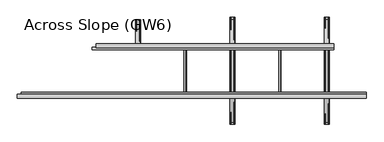
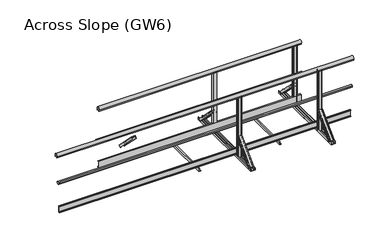
"""IFC4 building model written with IfcOpenShell, lengths in millimetres: proxy geometry, Across Slope (GW6)."""

from ifc_helpers import new_model, si_unit, point, frame, frame_2d, origin, origin_with_axes, place, context, project, spatial, polyline, circle_curve, trimmed, segment, composite_curve, outline, extrude, source, transform, mapped, element, save
from ifc_brep_helpers import plane_surface, extruded_surface, advanced_brep


def across_slope_gw6_c8b07d48(model_context):
    return source(origin(), model_context, "Body", "SolidModel", [
        extrude(outline(polyline([(34.5, 63.0), (9.5, 63.0), (9.5, 163.0), (34.5, 163.0), (34.5, 160.0), (12.5, 160.0), (12.5, 66.0), (34.5, 66.0), (34.5, 63.0)])), frame((978.6034865, 0.0, 0.0), z_axis=(1.0, 0.0, 0.0), x_axis=(0.0, 1.0, 0.0)), (0.0, 0.0, 1.0), 3119.1400263),
        extrude(outline(composite_curve([segment(trimmed(circle_curve(frame_2d((31.5, 1015.0)), 25.0), [point((10.5, 1001.43534))], [point((52.5, 1001.43534))], False, "CARTESIAN"), True, "CONTINUOUS"), segment(polyline([(52.5, 1001.43534), (52.5, 983.0), (51.5, 983.0), (51.5, 998.0), (11.5, 998.0), (11.5, 983.0), (10.5, 983.0), (10.5, 1001.43534)]), True, "CONTINUOUS")], self_intersect=False)), frame((980.0, 0.0, 0.0), z_axis=(1.0, 0.0, 0.0), x_axis=(0.0, 1.0, 0.0)), (0.0, 0.0, 1.0), 3119.1400263),
        extrude(outline(composite_curve([segment(polyline([(-21.8, 520.617273), (-17.8, 520.617273), (-17.8, 535.382727), (-21.8, 535.382727)]), True, "CONTINUOUS"), segment(trimmed(circle_curve(frame_2d((-3.212495, 528.0)), 20.0), [point((-21.8, 535.382727))], [point((12.5, 540.3740657))], False, "CARTESIAN"), True, "CONTINUOUS"), segment(polyline([(12.5, 540.3740657), (12.5, 515.6259343)]), True, "CONTINUOUS"), segment(trimmed(circle_curve(frame_2d((-3.212495, 528.0)), 20.0), [point((12.5, 515.6259343))], [point((-21.8, 520.617273))], False, "CARTESIAN"), True, "CONTINUOUS")], self_intersect=False)), frame((930.0, 0.0, 0.0), z_axis=(1.0, 0.0, 0.0), x_axis=(0.0, 1.0, 0.0)), (0.0, 0.0, 1.0), 3169.1400263),
        extrude(outline(polyline([(-634.5, 63.0), (-634.5, 66.0), (-612.5, 66.0), (-612.5, 160.0), (-634.5, 160.0), (-634.5, 163.0), (-609.5, 163.0), (-609.5, 63.0), (-634.5, 63.0)])), frame((0.0, 0.0, 0.0), z_axis=(1.0, 0.0, 0.0), x_axis=(0.0, 1.0, 0.0)), (0.0, 0.0, 1.0), 4489.1400263),
        extrude(outline(composite_curve([segment(trimmed(circle_curve(frame_2d((-596.787505, 528.0)), 20.0), [point((-578.2, 520.617273))], [point((-612.5, 515.6259343))], False, "CARTESIAN"), True, "CONTINUOUS"), segment(polyline([(-612.5, 515.6259343), (-612.5, 540.3740657)]), True, "CONTINUOUS"), segment(trimmed(circle_curve(frame_2d((-596.787505, 528.0)), 20.0), [point((-612.5, 540.3740657))], [point((-578.2, 535.382727))], False, "CARTESIAN"), True, "CONTINUOUS"), segment(polyline([(-578.2, 535.382727), (-582.2, 535.382727), (-582.2, 520.617273), (-578.2, 520.617273)]), True, "CONTINUOUS")], self_intersect=False)), frame((0.0, 0.0, 0.0), z_axis=(1.0, 0.0, 0.0), x_axis=(0.0, 1.0, 0.0)), (0.0, 0.0, 1.0), 4519.1400263),
        extrude(outline(composite_curve([segment(trimmed(circle_curve(frame_2d((-631.5, 1015.0)), 25.0), [point((-652.5, 1001.43534))], [point((-610.5, 1001.43534))], False, "CARTESIAN"), True, "CONTINUOUS"), segment(polyline([(-610.5, 1001.43534), (-610.5, 983.0), (-611.5, 983.0), (-611.5, 998.0), (-651.5, 998.0), (-651.5, 983.0), (-652.5, 983.0), (-652.5, 1001.43534)]), True, "CONTINUOUS")], self_intersect=False)), frame((-50.0, 0.0, 0.0), z_axis=(1.0, 0.0, 0.0), x_axis=(0.0, 1.0, 0.0)), (0.0, 0.0, 1.0), 4569.1400263),
        extrude(outline(polyline([(3e-07, 3405.3550197), (2.0000003, 3405.3550197), (2.0000003, 3377.3550197), (38.0000003, 3377.3550197), (38.0000003, 3395.3550197), (40.0000003, 3395.3550197), (40.0000003, 3375.3550197), (3e-07, 3375.3550197), (3e-07, 3405.3550197)])), frame((0.0, -650.0, 0.0), z_axis=(0.0, 1.0, 0.0), x_axis=(0.0, 0.0, 1.0)), (0.0, 0.0, 1.0), 700.0),
        extrude(outline(polyline([(3e-07, 2163.7850066), (2.0000003, 2163.7850066), (2.0000003, 2135.7850066), (38.0000003, 2135.7850066), (38.0000003, 2153.7850066), (40.0000003, 2153.7850066), (40.0000003, 2133.7850066), (3e-07, 2133.7850066), (3e-07, 2163.7850066)])), frame((0.0, -650.0, 0.0), z_axis=(0.0, 1.0, 0.0), x_axis=(0.0, 0.0, 1.0)), (0.0, 0.0, 1.0), 700.0),
        advanced_brep(
        [(2799.0700131, 368.6980515, 38.0), (2799.0700131, 342.888654, 12.1906025), (2796.0700131, 342.888654, 12.1906025), (2796.0700131, 366.5767312, 35.8786797), (2786.0700131, 366.5767312, 35.8786797), (2786.0700131, 364.8089642, 34.1109127), (2785.0700131, 364.8089642, 34.1109127), (2785.0700131, 366.5767312, 35.8786797), (2748.0700131, 366.5767312, 35.8786797), (2748.0700131, 364.8089642, 34.1109127), (2747.0700131, 364.8089642, 34.1109127), (2747.0700131, 366.5767312, 35.8786797), (2737.0700131, 366.5767312, 35.8786797), (2737.0700131, 342.888654, 12.1906025), (2734.0700131, 342.888654, 12.1906025), (2734.0700131, 368.6980515, 38.0), (2802.0700131, 50.5, 356.1980516), (2737.0700131, 50.5, 356.1980516), (2737.0700131, 24.6906025, 330.3886541), (2740.0700131, 24.6906025, 330.3886541), (2740.0700131, 48.3786797, 354.0767312), (2750.0700131, 48.3786797, 354.0767312), (2750.0700131, 46.6109127, 352.3089643), (2751.0700131, 46.6109127, 352.3089643), (2751.0700131, 48.3786797, 354.0767312), (2788.0700131, 48.3786797, 354.0767312), (2788.0700131, 46.6109127, 352.3089643), (2789.0700131, 46.6109127, 352.3089643), (2789.0700131, 48.3786797, 354.0767312), (2799.0700131, 48.3786797, 354.0767312), (2799.0700131, 24.6906025, 330.3886541), (2802.0700131, 24.6906025, 330.3886541)],
        [
            (0, 1),
            (1, 2, circle_curve(frame((2797.5700131, 342.888654, 12.1906025), z_axis=(0.0, 0.7071067811865506, -0.7071067811865446), x_axis=(0.0, 0.7071067811865446, 0.7071067811865506)), 1.5)),
            (2, 3),
            (3, 4),
            (4, 5),
            (5, 6, circle_curve(frame((2785.5700131, 364.8089642, 34.1109127), z_axis=(0.0, 0.7071067811865506, -0.7071067811865446), x_axis=(0.0, 0.7071067811865446, 0.7071067811865506)), 0.5)),
            (6, 7),
            (7, 8),
            (8, 9),
            (9, 10, circle_curve(frame((2747.5700131, 364.8089642, 34.1109127), z_axis=(0.0, 0.7071067811865506, -0.7071067811865446), x_axis=(0.0, 0.7071067811865446, 0.7071067811865506)), 0.5)),
            (10, 11),
            (11, 12),
            (12, 13),
            (13, 14, circle_curve(frame((2735.5700131, 342.888654, 12.1906025), z_axis=(0.0, 0.7071067811865506, -0.7071067811865446), x_axis=(0.0, 0.7071067811865446, 0.7071067811865506)), 1.5)),
            (14, 15),
            (15, 0),
            (16, 17),
            (17, 18),
            (18, 19, circle_curve(frame((2738.5700131, 24.6906025, 330.3886541), z_axis=(0.0, -0.7071067811865506, 0.7071067811865446), x_axis=(0.0, 0.7071067811865446, 0.7071067811865506)), 1.5)),
            (19, 20),
            (20, 21),
            (21, 22),
            (22, 23, circle_curve(frame((2750.5700131, 46.6109127, 352.3089643), z_axis=(0.0, -0.7071067811865506, 0.7071067811865446), x_axis=(0.0, 0.7071067811865446, 0.7071067811865506)), 0.5)),
            (23, 24),
            (24, 25),
            (25, 26),
            (26, 27, circle_curve(frame((2788.5700131, 46.6109127, 352.3089643), z_axis=(0.0, -0.7071067811865506, 0.7071067811865446), x_axis=(0.0, 0.7071067811865446, 0.7071067811865506)), 0.5)),
            (27, 28),
            (28, 29),
            (29, 30),
            (30, 31, circle_curve(frame((2800.5700131, 24.6906025, 330.3886541), z_axis=(0.0, -0.7071067811865506, 0.7071067811865446), x_axis=(0.0, 0.7071067811865446, 0.7071067811865506)), 1.5)),
            (31, 16),
            (31, 1),
            (0, 16),
            (30, 2),
            (29, 3),
            (28, 4),
            (27, 5),
            (26, 6),
            (25, 7),
            (24, 8),
            (23, 9),
            (22, 10),
            (21, 11),
            (20, 12),
            (19, 13),
            (18, 14),
            (17, 15),
        ],
        [
            plane_surface(frame((2766.5700131, 360.4779352, 29.7798837), z_axis=(0.0, 0.7071067811865502, -0.7071067811865449), x_axis=(0.0, -0.7071067811865449, -0.7071067811865502))),
            plane_surface(frame((2769.5700131, 42.2798837, 347.9779352), z_axis=(0.0, -0.7071067811865505, 0.7071067811865447), x_axis=(0.0, -0.7071067811865447, -0.7071067811865505))),
            plane_surface(frame((2802.0700131, 37.5953012, 343.2933528), z_axis=(0.9999777785184913, 0.004713940454838276, -0.004713940454838116), x_axis=(0.0, -0.7071067811865449, -0.7071067811865502))),
            extruded_surface(trimmed(circle_curve(frame((2800.5700131, 24.6906025, 330.3886541), z_axis=(0.0, 0.7071067811865506, -0.7071067811865446), x_axis=(0.0, 0.7071067811865446, 0.7071067811865506)), 1.5), [point((2802.0700131, 24.6906025, 330.3886541))], [point((2799.0700131, 24.6906025, 330.3886541))], True, "CARTESIAN"), (-3.0, 318.19805149999996, -318.1980516), 450.00999991159404),
            plane_surface(frame((2799.0700131, 36.5346411, 342.2326926), z_axis=(-0.9999777785184911, -0.004713940454837886, 0.00471394045483772), x_axis=(0.0, 0.7071067811865445, 0.7071067811865506))),
            plane_surface(frame((2794.0700131, 48.3786797, 354.0767312), z_axis=(0.0, -0.7071067811865455, -0.7071067811865496), x_axis=(-1.0, 0.0, 0.0))),
            plane_surface(frame((2789.0700131, 47.4947962, 353.1928478), z_axis=(0.9999777785184913, 0.004713940454838199, -0.0047139404548380325), x_axis=(0.0, -0.7071067811865445, -0.7071067811865507))),
            extruded_surface(trimmed(circle_curve(frame((2788.5700131, 46.6109127, 352.3089643), z_axis=(0.0, 0.7071067811865506, -0.7071067811865446), x_axis=(0.0, 0.7071067811865446, 0.7071067811865506)), 0.5), [point((2789.0700131, 46.6109127, 352.3089643))], [point((2788.0700131, 46.6109127, 352.3089643))], True, "CARTESIAN"), (-3.0, 318.1980515, -318.1980516), 450.0099999115941),
            plane_surface(frame((2788.0700131, 47.4947962, 353.1928478), z_axis=(-0.9999777785184912, -0.004713940454838169, 0.0047139404548381045), x_axis=(0.0, 0.7071067811865521, 0.707106781186543))),
            plane_surface(frame((2769.5700131, 48.3786797, 354.0767312), z_axis=(0.0, -0.7071067811865461, -0.7071067811865491), x_axis=(-1.0, 0.0, 0.0))),
            plane_surface(frame((2751.0700131, 47.4947962, 353.1928478), z_axis=(0.9999777785184911, 0.004713940454838164, -0.004713940454837987), x_axis=(0.0, -0.7071067811865436, -0.7071067811865515))),
            extruded_surface(trimmed(circle_curve(frame((2750.5700131, 46.6109127, 352.3089643), z_axis=(0.0, 0.7071067811865506, -0.7071067811865446), x_axis=(0.0, 0.7071067811865446, 0.7071067811865506)), 0.5), [point((2751.0700131, 46.6109127, 352.3089643))], [point((2750.0700131, 46.6109127, 352.3089643))], True, "CARTESIAN"), (-3.0, 318.1980515, -318.1980516), 450.0099999115941),
            plane_surface(frame((2750.0700131, 47.4947962, 353.1928478), z_axis=(-0.9999777785184913, -0.004713940454838203, 0.004713940454838003), x_axis=(0.0, 0.7071067811865419, 0.7071067811865532))),
            plane_surface(frame((2745.0700131, 48.3786797, 354.0767312), z_axis=(0.0, -0.7071067811865461, -0.7071067811865491), x_axis=(-1.0, 0.0, 0.0))),
            plane_surface(frame((2740.0700131, 36.5346411, 342.2326926), z_axis=(0.9999777785184911, 0.004713940454838192, -0.004713940454838038), x_axis=(0.0, -0.7071067811865454, -0.7071067811865497))),
            extruded_surface(trimmed(circle_curve(frame((2738.5700131, 24.6906025, 330.3886541), z_axis=(0.0, 0.7071067811865506, -0.7071067811865446), x_axis=(0.0, 0.7071067811865446, 0.7071067811865506)), 1.5), [point((2740.0700131, 24.6906025, 330.3886541))], [point((2737.0700131, 24.6906025, 330.3886541))], True, "CARTESIAN"), (-3.0, 318.19805149999996, -318.1980516), 450.00999991159404),
            plane_surface(frame((2737.0700131, 37.5953012, 343.2933528), z_axis=(-0.9999777785184911, -0.00471394045483825, 0.004713940454838091), x_axis=(0.0, 0.7071067811865449, 0.7071067811865501))),
            plane_surface(frame((2769.5700131, 50.5, 356.1980516), z_axis=(0.0, 0.7071067811865455, 0.7071067811865497), x_axis=(1.0, 0.0, 0.0))),
        ],
        [
            (0, [[1, 2, 3, 4, 5, 6, 7, 8, 9, 10, 11, 12, 13, 14, 15, 16]]),
            (1, [[17, 18, 19, 20, 21, 22, 23, 24, 25, 26, 27, 28, 29, 30, 31, 32]]),
            (2, [[-32, 33, -1, 34]]),
            (3, [[-31, 35, -2, -33]]),
            (4, [[-30, 36, -3, -35]]),
            (5, [[-29, 37, -4, -36]]),
            (6, [[-28, 38, -5, -37]]),
            (7, [[-27, 39, -6, -38]]),
            (8, [[-26, 40, -7, -39]]),
            (9, [[-25, 41, -8, -40]]),
            (10, [[-24, 42, -9, -41]]),
            (11, [[-23, 43, -10, -42]]),
            (12, [[-22, 44, -11, -43]]),
            (13, [[-21, 45, -12, -44]]),
            (14, [[-20, 46, -13, -45]]),
            (15, [[-19, 47, -14, -46]]),
            (16, [[-18, 48, -15, -47]]),
            (17, [[-17, -34, -16, -48]]),
        ],
    ),
        extrude(outline(composite_curve([segment(trimmed(circle_curve(frame_2d((2792.5700131, 45.5)), 5.0), [point((2792.5700131, 50.5))], [point((2797.5700131, 45.5))], False, "CARTESIAN"), True, "CONTINUOUS"), segment(polyline([(2797.5700131, 45.5), (2797.5700131, 17.5)]), True, "CONTINUOUS"), segment(trimmed(circle_curve(frame_2d((2792.5700131, 17.5)), 5.0), [point((2797.5700131, 17.5))], [point((2792.5700131, 12.5))], False, "CARTESIAN"), True, "CONTINUOUS"), segment(polyline([(2792.5700131, 12.5), (2746.5700131, 12.5)]), True, "CONTINUOUS"), segment(trimmed(circle_curve(frame_2d((2746.5700131, 17.5)), 5.0), [point((2746.5700131, 12.5))], [point((2741.5700131, 17.5))], False, "CARTESIAN"), True, "CONTINUOUS"), segment(polyline([(2741.5700131, 17.5), (2741.5700131, 45.5)]), True, "CONTINUOUS"), segment(trimmed(circle_curve(frame_2d((2746.5700131, 45.5)), 5.0), [point((2741.5700131, 45.5))], [point((2746.5700131, 50.5))], False, "CARTESIAN"), True, "CONTINUOUS"), segment(polyline([(2746.5700131, 50.5), (2792.5700131, 50.5)]), True, "CONTINUOUS")], self_intersect=False)), origin_with_axes(), (0.0, 0.0, 1.0), 998.0),
        extrude(outline(composite_curve([segment(trimmed(circle_curve(frame_2d((2792.5700131, -617.5)), 5.0), [point((2792.5700131, -612.5))], [point((2797.5700131, -617.5))], False, "CARTESIAN"), True, "CONTINUOUS"), segment(polyline([(2797.5700131, -617.5), (2797.5700131, -645.5)]), True, "CONTINUOUS"), segment(trimmed(circle_curve(frame_2d((2792.5700131, -645.5)), 5.0), [point((2797.5700131, -645.5))], [point((2792.5700131, -650.5))], False, "CARTESIAN"), True, "CONTINUOUS"), segment(polyline([(2792.5700131, -650.5), (2746.5700131, -650.5)]), True, "CONTINUOUS"), segment(trimmed(circle_curve(frame_2d((2746.5700131, -645.5)), 5.0), [point((2746.5700131, -650.5))], [point((2741.5700131, -645.5))], False, "CARTESIAN"), True, "CONTINUOUS"), segment(polyline([(2741.5700131, -645.5), (2741.5700131, -617.5)]), True, "CONTINUOUS"), segment(trimmed(circle_curve(frame_2d((2746.5700131, -617.5)), 5.0), [point((2741.5700131, -617.5))], [point((2746.5700131, -612.5))], False, "CARTESIAN"), True, "CONTINUOUS"), segment(polyline([(2746.5700131, -612.5), (2792.5700131, -612.5)]), True, "CONTINUOUS")], self_intersect=False)), origin_with_axes(), (0.0, 0.0, 1.0), 998.0),
        advanced_brep(
        [(2734.0700131, -968.7087394, 38.0), (2734.0700131, -942.8993419, 12.1906025), (2737.0700131, -942.8993419, 12.1906025), (2737.0700131, -966.5874191, 35.8786797), (2747.0700131, -966.5874191, 35.8786797), (2747.0700131, -964.8196521, 34.1109127), (2748.0700131, -964.8196521, 34.1109127), (2748.0700131, -966.5874191, 35.8786797), (2785.0700131, -966.5874191, 35.8786797), (2785.0700131, -964.8196521, 34.1109127), (2786.0700131, -964.8196521, 34.1109127), (2786.0700131, -966.5874191, 35.8786797), (2796.0700131, -966.5874191, 35.8786797), (2796.0700131, -942.8993419, 12.1906025), (2799.0700131, -942.8993419, 12.1906025), (2799.0700131, -968.7087394, 38.0), (2737.0700131, -650.5106879, 356.1980516), (2802.0700131, -650.5106879, 356.1980516), (2802.0700131, -624.7012904, 330.3886541), (2799.0700131, -624.7012904, 330.3886541), (2799.0700131, -648.3893676, 354.0767312), (2789.0700131, -648.3893676, 354.0767312), (2789.0700131, -646.6216006, 352.3089643), (2788.0700131, -646.6216006, 352.3089643), (2788.0700131, -648.3893676, 354.0767312), (2751.0700131, -648.3893676, 354.0767312), (2751.0700131, -646.6216006, 352.3089643), (2750.0700131, -646.6216006, 352.3089643), (2750.0700131, -648.3893676, 354.0767312), (2740.0700131, -648.3893676, 354.0767312), (2740.0700131, -624.7012904, 330.3886541), (2737.0700131, -624.7012904, 330.3886541)],
        [
            (0, 1),
            (1, 2, circle_curve(frame((2735.5700131, -942.8993419, 12.1906025), z_axis=(0.0, -0.7071067811865432, -0.7071067811865519), x_axis=(0.0, 0.7071067811865519, -0.7071067811865432)), 1.5)),
            (2, 3),
            (3, 4),
            (4, 5),
            (5, 6, circle_curve(frame((2747.5700131, -964.8196521, 34.1109127), z_axis=(0.0, -0.7071067811865432, -0.7071067811865519), x_axis=(0.0, 0.7071067811865519, -0.7071067811865432)), 0.5)),
            (6, 7),
            (7, 8),
            (8, 9),
            (9, 10, circle_curve(frame((2785.5700131, -964.8196521, 34.1109127), z_axis=(0.0, -0.7071067811865432, -0.7071067811865519), x_axis=(0.0, 0.7071067811865519, -0.7071067811865432)), 0.5)),
            (10, 11),
            (11, 12),
            (12, 13),
            (13, 14, circle_curve(frame((2797.5700131, -942.8993419, 12.1906025), z_axis=(0.0, -0.7071067811865432, -0.7071067811865519), x_axis=(0.0, 0.7071067811865519, -0.7071067811865432)), 1.5)),
            (14, 15),
            (15, 0),
            (16, 17),
            (17, 18),
            (18, 19, circle_curve(frame((2800.5700131, -624.7012904, 330.3886541), z_axis=(0.0, 0.7071067811865432, 0.7071067811865519), x_axis=(0.0, 0.7071067811865519, -0.7071067811865432)), 1.5)),
            (19, 20),
            (20, 21),
            (21, 22),
            (22, 23, circle_curve(frame((2788.5700131, -646.6216006, 352.3089643), z_axis=(0.0, 0.7071067811865432, 0.7071067811865519), x_axis=(0.0, 0.7071067811865519, -0.7071067811865432)), 0.5)),
            (23, 24),
            (24, 25),
            (25, 26),
            (26, 27, circle_curve(frame((2750.5700131, -646.6216006, 352.3089643), z_axis=(0.0, 0.7071067811865432, 0.7071067811865519), x_axis=(0.0, 0.7071067811865519, -0.7071067811865432)), 0.5)),
            (27, 28),
            (28, 29),
            (29, 30),
            (30, 31, circle_curve(frame((2738.5700131, -624.7012904, 330.3886541), z_axis=(0.0, 0.7071067811865432, 0.7071067811865519), x_axis=(0.0, 0.7071067811865519, -0.7071067811865432)), 1.5)),
            (31, 16),
            (31, 1),
            (0, 16),
            (30, 2),
            (29, 3),
            (28, 4),
            (27, 5),
            (26, 6),
            (25, 7),
            (24, 8),
            (23, 9),
            (22, 10),
            (21, 11),
            (20, 12),
            (19, 13),
            (18, 14),
            (17, 15),
        ],
        [
            plane_surface(frame((2766.5700131, -960.4886231, 29.7798837), z_axis=(0.0, -0.707106781186543, -0.7071067811865521), x_axis=(0.0, 0.7071067811865521, -0.707106781186543))),
            plane_surface(frame((2769.5700131, -642.2905716, 347.9779352), z_axis=(0.0, 0.7071067811865432, 0.7071067811865519), x_axis=(0.0, 0.7071067811865519, -0.7071067811865432))),
            plane_surface(frame((2737.0700131, -637.6059891, 343.2933528), z_axis=(-0.9999777785184912, 0.004713940454842057, 0.004713940454841993), x_axis=(0.0, 0.7071067811865521, -0.707106781186543))),
            extruded_surface(trimmed(circle_curve(frame((2738.5700131, -624.7012904, 330.3886541), z_axis=(0.0, -0.7071067811865432, -0.7071067811865519), x_axis=(0.0, 0.7071067811865519, -0.7071067811865432)), 1.5), [point((2737.0700131, -624.7012904, 330.3886541))], [point((2740.0700131, -624.7012904, 330.3886541))], True, "CARTESIAN"), (-3.0, -318.1980515, -318.1980516), 450.0099999115941),
            plane_surface(frame((2740.0700131, -636.545329, 342.2326926), z_axis=(0.9999777785184912, -0.004713940454842057, -0.004713940454841993), x_axis=(0.0, -0.7071067811865521, 0.707106781186543))),
            plane_surface(frame((2745.0700131, -648.3893676, 354.0767312), z_axis=(0.0, 0.7071067811865525, -0.7071067811865427), x_axis=(1.0, 0.0, 0.0))),
            plane_surface(frame((2750.0700131, -647.5054841, 353.1928478), z_axis=(-0.9999777785184911, 0.004713940454842033, 0.004713940454842016), x_axis=(0.0, 0.7071067811865557, -0.7071067811865394))),
            extruded_surface(trimmed(circle_curve(frame((2750.5700131, -646.6216006, 352.3089643), z_axis=(0.0, -0.7071067811865432, -0.7071067811865519), x_axis=(0.0, 0.7071067811865519, -0.7071067811865432)), 0.5), [point((2750.0700131, -646.6216006, 352.3089643))], [point((2751.0700131, -646.6216006, 352.3089643))], True, "CARTESIAN"), (-3.0, -318.1980515, -318.1980516), 450.0099999115941),
            plane_surface(frame((2751.0700131, -647.5054841, 353.1928478), z_axis=(0.9999777785184911, -0.004713940454842045, -0.004713940454842029), x_axis=(0.0, -0.7071067811865557, 0.7071067811865394))),
            plane_surface(frame((2769.5700131, -648.3893676, 354.0767312), z_axis=(0.0, 0.7071067811865525, -0.7071067811865427), x_axis=(1.0, 0.0, 0.0))),
            plane_surface(frame((2788.0700131, -647.5054841, 353.1928478), z_axis=(-0.9999777785184911, 0.004713940454842039, 0.004713940454842022), x_axis=(0.0, 0.7071067811865557, -0.7071067811865394))),
            extruded_surface(trimmed(circle_curve(frame((2788.5700131, -646.6216006, 352.3089643), z_axis=(0.0, -0.7071067811865432, -0.7071067811865519), x_axis=(0.0, 0.7071067811865519, -0.7071067811865432)), 0.5), [point((2788.0700131, -646.6216006, 352.3089643))], [point((2789.0700131, -646.6216006, 352.3089643))], True, "CARTESIAN"), (-3.0, -318.1980515, -318.1980516), 450.0099999115941),
            plane_surface(frame((2789.0700131, -647.5054841, 353.1928478), z_axis=(0.9999777785184911, -0.004713940454842066, -0.004713940454841994), x_axis=(0.0, -0.7071067811865515, 0.7071067811865436))),
            plane_surface(frame((2794.0700131, -648.3893676, 354.0767312), z_axis=(0.0, 0.7071067811865522, -0.707106781186543), x_axis=(1.0, 0.0, 0.0))),
            plane_surface(frame((2799.0700131, -636.545329, 342.2326926), z_axis=(-0.9999777785184911, 0.004713940454842064, 0.004713940454841998), x_axis=(0.0, 0.707106781186552, -0.7071067811865431))),
            extruded_surface(trimmed(circle_curve(frame((2800.5700131, -624.7012904, 330.3886541), z_axis=(0.0, -0.7071067811865432, -0.7071067811865519), x_axis=(0.0, 0.7071067811865519, -0.7071067811865432)), 1.5), [point((2799.0700131, -624.7012904, 330.3886541))], [point((2802.0700131, -624.7012904, 330.3886541))], True, "CARTESIAN"), (-3.0, -318.1980515, -318.1980516), 450.0099999115941),
            plane_surface(frame((2802.0700131, -637.6059891, 343.2933528), z_axis=(0.9999777785184913, -0.004713940454842066, -0.004713940454841998), x_axis=(0.0, -0.7071067811865519, 0.7071067811865432))),
            plane_surface(frame((2769.5700131, -650.5106879, 356.1980516), z_axis=(0.0, -0.7071067811865526, 0.7071067811865427), x_axis=(-1.0, 0.0, 0.0))),
        ],
        [
            (0, [[1, 2, 3, 4, 5, 6, 7, 8, 9, 10, 11, 12, 13, 14, 15, 16]]),
            (1, [[17, 18, 19, 20, 21, 22, 23, 24, 25, 26, 27, 28, 29, 30, 31, 32]]),
            (2, [[-32, 33, -1, 34]]),
            (3, [[-31, 35, -2, -33]]),
            (4, [[-30, 36, -3, -35]]),
            (5, [[-29, 37, -4, -36]]),
            (6, [[-28, 38, -5, -37]]),
            (7, [[-27, 39, -6, -38]]),
            (8, [[-26, 40, -7, -39]]),
            (9, [[-25, 41, -8, -40]]),
            (10, [[-24, 42, -9, -41]]),
            (11, [[-23, 43, -10, -42]]),
            (12, [[-22, 44, -11, -43]]),
            (13, [[-21, 45, -12, -44]]),
            (14, [[-20, 46, -13, -45]]),
            (15, [[-19, 47, -14, -46]]),
            (16, [[-18, 48, -15, -47]]),
            (17, [[-17, -34, -16, -48]]),
        ],
    ),
        extrude(outline(composite_curve([segment(polyline([(0.0, 2737.0700131), (0.0, 2802.0700131), (36.5, 2802.0700131)]), True, "CONTINUOUS"), segment(trimmed(circle_curve(frame_2d((36.5, 2800.5700131)), 1.5), [point((36.5, 2802.0700131))], [point((36.5, 2799.0700131))], False, "CARTESIAN"), True, "CONTINUOUS"), segment(polyline([(36.5, 2799.0700131), (3.0, 2799.0700131), (3.0, 2789.0700131), (5.5, 2789.0700131)]), True, "CONTINUOUS"), segment(trimmed(circle_curve(frame_2d((5.5, 2788.5700131)), 0.5), [point((5.5, 2789.0700131))], [point((5.5, 2788.0700131))], False, "CARTESIAN"), True, "CONTINUOUS"), segment(polyline([(5.5, 2788.0700131), (3.0, 2788.0700131), (3.0, 2751.0700131), (5.5, 2751.0700131)]), True, "CONTINUOUS"), segment(trimmed(circle_curve(frame_2d((5.5, 2750.5700131)), 0.5), [point((5.5, 2751.0700131))], [point((5.5, 2750.0700131))], False, "CARTESIAN"), True, "CONTINUOUS"), segment(polyline([(5.5, 2750.0700131), (3.0, 2750.0700131), (3.0, 2740.0700131), (36.5, 2740.0700131)]), True, "CONTINUOUS"), segment(trimmed(circle_curve(frame_2d((36.5, 2738.5700131)), 1.5), [point((36.5, 2740.0700131))], [point((36.5, 2737.0700131))], False, "CARTESIAN"), True, "CONTINUOUS"), segment(polyline([(36.5, 2737.0700131), (0.0, 2737.0700131)]), True, "CONTINUOUS")], self_intersect=False)), frame((0.0, -1000.0, 0.0), z_axis=(0.0, 1.0, 0.0), x_axis=(0.0, 0.0, 1.0)), (0.0, 0.0, 1.0), 1400.0),
        advanced_brep(
        [(4036.1400263, 368.6980515, 38.0), (4036.1400263, 342.888654, 12.1906025), (4033.1400263, 342.888654, 12.1906025), (4033.1400263, 366.5767312, 35.8786797), (4023.1400263, 366.5767312, 35.8786797), (4023.1400263, 364.8089642, 34.1109127), (4022.1400263, 364.8089642, 34.1109127), (4022.1400263, 366.5767312, 35.8786797), (3985.1400263, 366.5767312, 35.8786797), (3985.1400263, 364.8089642, 34.1109127), (3984.1400263, 364.8089642, 34.1109127), (3984.1400263, 366.5767312, 35.8786797), (3974.1400263, 366.5767312, 35.8786797), (3974.1400263, 342.888654, 12.1906025), (3971.1400263, 342.888654, 12.1906025), (3971.1400263, 368.6980515, 38.0), (4039.1400263, 50.5, 356.1980516), (3974.1400263, 50.5, 356.1980516), (3974.1400263, 24.6906025, 330.3886541), (3977.1400263, 24.6906025, 330.3886541), (3977.1400263, 48.3786797, 354.0767312), (3987.1400263, 48.3786797, 354.0767312), (3987.1400263, 46.6109127, 352.3089643), (3988.1400263, 46.6109127, 352.3089643), (3988.1400263, 48.3786797, 354.0767312), (4025.1400263, 48.3786797, 354.0767312), (4025.1400263, 46.6109127, 352.3089643), (4026.1400263, 46.6109127, 352.3089643), (4026.1400263, 48.3786797, 354.0767312), (4036.1400263, 48.3786797, 354.0767312), (4036.1400263, 24.6906025, 330.3886541), (4039.1400263, 24.6906025, 330.3886541)],
        [
            (0, 1),
            (1, 2, circle_curve(frame((4034.6400263, 342.888654, 12.1906025), z_axis=(0.0, 0.7071067811865506, -0.7071067811865446), x_axis=(0.0, 0.7071067811865446, 0.7071067811865506)), 1.5)),
            (2, 3),
            (3, 4),
            (4, 5),
            (5, 6, circle_curve(frame((4022.6400263, 364.8089642, 34.1109127), z_axis=(0.0, 0.7071067811865506, -0.7071067811865446), x_axis=(0.0, 0.7071067811865446, 0.7071067811865506)), 0.5)),
            (6, 7),
            (7, 8),
            (8, 9),
            (9, 10, circle_curve(frame((3984.6400263, 364.8089642, 34.1109127), z_axis=(0.0, 0.7071067811865506, -0.7071067811865446), x_axis=(0.0, 0.7071067811865446, 0.7071067811865506)), 0.5)),
            (10, 11),
            (11, 12),
            (12, 13),
            (13, 14, circle_curve(frame((3972.6400263, 342.888654, 12.1906025), z_axis=(0.0, 0.7071067811865506, -0.7071067811865446), x_axis=(0.0, 0.7071067811865446, 0.7071067811865506)), 1.5)),
            (14, 15),
            (15, 0),
            (16, 17),
            (17, 18),
            (18, 19, circle_curve(frame((3975.6400263, 24.6906025, 330.3886541), z_axis=(0.0, -0.7071067811865506, 0.7071067811865446), x_axis=(0.0, 0.7071067811865446, 0.7071067811865506)), 1.5)),
            (19, 20),
            (20, 21),
            (21, 22),
            (22, 23, circle_curve(frame((3987.6400263, 46.6109127, 352.3089643), z_axis=(0.0, -0.7071067811865506, 0.7071067811865446), x_axis=(0.0, 0.7071067811865446, 0.7071067811865506)), 0.5)),
            (23, 24),
            (24, 25),
            (25, 26),
            (26, 27, circle_curve(frame((4025.6400263, 46.6109127, 352.3089643), z_axis=(0.0, -0.7071067811865506, 0.7071067811865446), x_axis=(0.0, 0.7071067811865446, 0.7071067811865506)), 0.5)),
            (27, 28),
            (28, 29),
            (29, 30),
            (30, 31, circle_curve(frame((4037.6400263, 24.6906025, 330.3886541), z_axis=(0.0, -0.7071067811865506, 0.7071067811865446), x_axis=(0.0, 0.7071067811865446, 0.7071067811865506)), 1.5)),
            (31, 16),
            (31, 1),
            (0, 16),
            (30, 2),
            (29, 3),
            (28, 4),
            (27, 5),
            (26, 6),
            (25, 7),
            (24, 8),
            (23, 9),
            (22, 10),
            (21, 11),
            (20, 12),
            (19, 13),
            (18, 14),
            (17, 15),
        ],
        [
            plane_surface(frame((4003.6400263, 360.4779352, 29.7798837), z_axis=(0.0, 0.7071067811865502, -0.7071067811865449), x_axis=(0.0, -0.7071067811865449, -0.7071067811865502))),
            plane_surface(frame((4006.6400263, 42.2798837, 347.9779352), z_axis=(0.0, -0.7071067811865505, 0.7071067811865447), x_axis=(0.0, -0.7071067811865447, -0.7071067811865505))),
            plane_surface(frame((4039.1400263, 37.5953012, 343.2933528), z_axis=(0.9999777785184913, 0.004713940454838276, -0.004713940454838116), x_axis=(0.0, -0.7071067811865449, -0.7071067811865502))),
            extruded_surface(trimmed(circle_curve(frame((4037.6400263, 24.6906025, 330.3886541), z_axis=(0.0, 0.7071067811865506, -0.7071067811865446), x_axis=(0.0, 0.7071067811865446, 0.7071067811865506)), 1.5), [point((4039.1400263, 24.6906025, 330.3886541))], [point((4036.1400263, 24.6906025, 330.3886541))], True, "CARTESIAN"), (-3.0, 318.19805149999996, -318.1980516), 450.00999991159404),
            plane_surface(frame((4036.1400263, 36.5346411, 342.2326926), z_axis=(-0.9999777785184911, -0.004713940454837886, 0.00471394045483772), x_axis=(0.0, 0.7071067811865445, 0.7071067811865506))),
            plane_surface(frame((4031.1400263, 48.3786797, 354.0767312), z_axis=(0.0, -0.7071067811865455, -0.7071067811865496), x_axis=(-1.0, 0.0, 0.0))),
            plane_surface(frame((4026.1400263, 47.4947962, 353.1928478), z_axis=(0.9999777785184913, 0.004713940454838199, -0.0047139404548380325), x_axis=(0.0, -0.7071067811865445, -0.7071067811865507))),
            extruded_surface(trimmed(circle_curve(frame((4025.6400263, 46.6109127, 352.3089643), z_axis=(0.0, 0.7071067811865506, -0.7071067811865446), x_axis=(0.0, 0.7071067811865446, 0.7071067811865506)), 0.5), [point((4026.1400263, 46.6109127, 352.3089643))], [point((4025.1400263, 46.6109127, 352.3089643))], True, "CARTESIAN"), (-3.0, 318.1980515, -318.1980516), 450.0099999115941),
            plane_surface(frame((4025.1400263, 47.4947962, 353.1928478), z_axis=(-0.9999777785184912, -0.004713940454838169, 0.0047139404548381045), x_axis=(0.0, 0.7071067811865521, 0.707106781186543))),
            plane_surface(frame((4006.6400263, 48.3786797, 354.0767312), z_axis=(0.0, -0.7071067811865461, -0.7071067811865491), x_axis=(-1.0, 0.0, 0.0))),
            plane_surface(frame((3988.1400263, 47.4947962, 353.1928478), z_axis=(0.9999777785184911, 0.004713940454838164, -0.004713940454837987), x_axis=(0.0, -0.7071067811865436, -0.7071067811865515))),
            extruded_surface(trimmed(circle_curve(frame((3987.6400263, 46.6109127, 352.3089643), z_axis=(0.0, 0.7071067811865506, -0.7071067811865446), x_axis=(0.0, 0.7071067811865446, 0.7071067811865506)), 0.5), [point((3988.1400263, 46.6109127, 352.3089643))], [point((3987.1400263, 46.6109127, 352.3089643))], True, "CARTESIAN"), (-3.0, 318.1980515, -318.1980516), 450.0099999115941),
            plane_surface(frame((3987.1400263, 47.4947962, 353.1928478), z_axis=(-0.9999777785184913, -0.004713940454838203, 0.004713940454838003), x_axis=(0.0, 0.7071067811865419, 0.7071067811865532))),
            plane_surface(frame((3982.1400263, 48.3786797, 354.0767312), z_axis=(0.0, -0.7071067811865461, -0.7071067811865491), x_axis=(-1.0, 0.0, 0.0))),
            plane_surface(frame((3977.1400263, 36.5346411, 342.2326926), z_axis=(0.9999777785184911, 0.004713940454838192, -0.004713940454838038), x_axis=(0.0, -0.7071067811865454, -0.7071067811865497))),
            extruded_surface(trimmed(circle_curve(frame((3975.6400263, 24.6906025, 330.3886541), z_axis=(0.0, 0.7071067811865506, -0.7071067811865446), x_axis=(0.0, 0.7071067811865446, 0.7071067811865506)), 1.5), [point((3977.1400263, 24.6906025, 330.3886541))], [point((3974.1400263, 24.6906025, 330.3886541))], True, "CARTESIAN"), (-3.0, 318.19805149999996, -318.1980516), 450.00999991159404),
            plane_surface(frame((3974.1400263, 37.5953012, 343.2933528), z_axis=(-0.9999777785184911, -0.00471394045483825, 0.004713940454838091), x_axis=(0.0, 0.7071067811865449, 0.7071067811865501))),
            plane_surface(frame((4006.6400263, 50.5, 356.1980516), z_axis=(0.0, 0.7071067811865455, 0.7071067811865497), x_axis=(1.0, 0.0, 0.0))),
        ],
        [
            (0, [[1, 2, 3, 4, 5, 6, 7, 8, 9, 10, 11, 12, 13, 14, 15, 16]]),
            (1, [[17, 18, 19, 20, 21, 22, 23, 24, 25, 26, 27, 28, 29, 30, 31, 32]]),
            (2, [[-32, 33, -1, 34]]),
            (3, [[-31, 35, -2, -33]]),
            (4, [[-30, 36, -3, -35]]),
            (5, [[-29, 37, -4, -36]]),
            (6, [[-28, 38, -5, -37]]),
            (7, [[-27, 39, -6, -38]]),
            (8, [[-26, 40, -7, -39]]),
            (9, [[-25, 41, -8, -40]]),
            (10, [[-24, 42, -9, -41]]),
            (11, [[-23, 43, -10, -42]]),
            (12, [[-22, 44, -11, -43]]),
            (13, [[-21, 45, -12, -44]]),
            (14, [[-20, 46, -13, -45]]),
            (15, [[-19, 47, -14, -46]]),
            (16, [[-18, 48, -15, -47]]),
            (17, [[-17, -34, -16, -48]]),
        ],
    ),
        extrude(outline(composite_curve([segment(trimmed(circle_curve(frame_2d((4029.6400263, 45.5)), 5.0), [point((4029.6400263, 50.5))], [point((4034.6400263, 45.5))], False, "CARTESIAN"), True, "CONTINUOUS"), segment(polyline([(4034.6400263, 45.5), (4034.6400263, 17.5)]), True, "CONTINUOUS"), segment(trimmed(circle_curve(frame_2d((4029.6400263, 17.5)), 5.0), [point((4034.6400263, 17.5))], [point((4029.6400263, 12.5))], False, "CARTESIAN"), True, "CONTINUOUS"), segment(polyline([(4029.6400263, 12.5), (3983.6400263, 12.5)]), True, "CONTINUOUS"), segment(trimmed(circle_curve(frame_2d((3983.6400263, 17.5)), 5.0), [point((3983.6400263, 12.5))], [point((3978.6400263, 17.5))], False, "CARTESIAN"), True, "CONTINUOUS"), segment(polyline([(3978.6400263, 17.5), (3978.6400263, 45.5)]), True, "CONTINUOUS"), segment(trimmed(circle_curve(frame_2d((3983.6400263, 45.5)), 5.0), [point((3978.6400263, 45.5))], [point((3983.6400263, 50.5))], False, "CARTESIAN"), True, "CONTINUOUS"), segment(polyline([(3983.6400263, 50.5), (4029.6400263, 50.5)]), True, "CONTINUOUS")], self_intersect=False)), origin_with_axes(), (0.0, 0.0, 1.0), 998.0),
        extrude(outline(composite_curve([segment(trimmed(circle_curve(frame_2d((4029.6400263, -617.5)), 5.0), [point((4029.6400263, -612.5))], [point((4034.6400263, -617.5))], False, "CARTESIAN"), True, "CONTINUOUS"), segment(polyline([(4034.6400263, -617.5), (4034.6400263, -645.5)]), True, "CONTINUOUS"), segment(trimmed(circle_curve(frame_2d((4029.6400263, -645.5)), 5.0), [point((4034.6400263, -645.5))], [point((4029.6400263, -650.5))], False, "CARTESIAN"), True, "CONTINUOUS"), segment(polyline([(4029.6400263, -650.5), (3983.6400263, -650.5)]), True, "CONTINUOUS"), segment(trimmed(circle_curve(frame_2d((3983.6400263, -645.5)), 5.0), [point((3983.6400263, -650.5))], [point((3978.6400263, -645.5))], False, "CARTESIAN"), True, "CONTINUOUS"), segment(polyline([(3978.6400263, -645.5), (3978.6400263, -617.5)]), True, "CONTINUOUS"), segment(trimmed(circle_curve(frame_2d((3983.6400263, -617.5)), 5.0), [point((3978.6400263, -617.5))], [point((3983.6400263, -612.5))], False, "CARTESIAN"), True, "CONTINUOUS"), segment(polyline([(3983.6400263, -612.5), (4029.6400263, -612.5)]), True, "CONTINUOUS")], self_intersect=False)), origin_with_axes(), (0.0, 0.0, 1.0), 998.0),
        advanced_brep(
        [(3971.1400263, -968.7087394, 38.0), (3971.1400263, -942.8993419, 12.1906025), (3974.1400263, -942.8993419, 12.1906025), (3974.1400263, -966.5874191, 35.8786797), (3984.1400263, -966.5874191, 35.8786797), (3984.1400263, -964.8196521, 34.1109127), (3985.1400263, -964.8196521, 34.1109127), (3985.1400263, -966.5874191, 35.8786797), (4022.1400263, -966.5874191, 35.8786797), (4022.1400263, -964.8196521, 34.1109127), (4023.1400263, -964.8196521, 34.1109127), (4023.1400263, -966.5874191, 35.8786797), (4033.1400263, -966.5874191, 35.8786797), (4033.1400263, -942.8993419, 12.1906025), (4036.1400263, -942.8993419, 12.1906025), (4036.1400263, -968.7087394, 38.0), (3974.1400263, -650.5106879, 356.1980516), (4039.1400263, -650.5106879, 356.1980516), (4039.1400263, -624.7012904, 330.3886541), (4036.1400263, -624.7012904, 330.3886541), (4036.1400263, -648.3893676, 354.0767312), (4026.1400263, -648.3893676, 354.0767312), (4026.1400263, -646.6216006, 352.3089643), (4025.1400263, -646.6216006, 352.3089643), (4025.1400263, -648.3893676, 354.0767312), (3988.1400263, -648.3893676, 354.0767312), (3988.1400263, -646.6216006, 352.3089643), (3987.1400263, -646.6216006, 352.3089643), (3987.1400263, -648.3893676, 354.0767312), (3977.1400263, -648.3893676, 354.0767312), (3977.1400263, -624.7012904, 330.3886541), (3974.1400263, -624.7012904, 330.3886541)],
        [
            (0, 1),
            (1, 2, circle_curve(frame((3972.6400263, -942.8993419, 12.1906025), z_axis=(0.0, -0.7071067811865432, -0.7071067811865519), x_axis=(0.0, 0.7071067811865519, -0.7071067811865432)), 1.5)),
            (2, 3),
            (3, 4),
            (4, 5),
            (5, 6, circle_curve(frame((3984.6400263, -964.8196521, 34.1109127), z_axis=(0.0, -0.7071067811865432, -0.7071067811865519), x_axis=(0.0, 0.7071067811865519, -0.7071067811865432)), 0.5)),
            (6, 7),
            (7, 8),
            (8, 9),
            (9, 10, circle_curve(frame((4022.6400263, -964.8196521, 34.1109127), z_axis=(0.0, -0.7071067811865432, -0.7071067811865519), x_axis=(0.0, 0.7071067811865519, -0.7071067811865432)), 0.5)),
            (10, 11),
            (11, 12),
            (12, 13),
            (13, 14, circle_curve(frame((4034.6400263, -942.8993419, 12.1906025), z_axis=(0.0, -0.7071067811865432, -0.7071067811865519), x_axis=(0.0, 0.7071067811865519, -0.7071067811865432)), 1.5)),
            (14, 15),
            (15, 0),
            (16, 17),
            (17, 18),
            (18, 19, circle_curve(frame((4037.6400263, -624.7012904, 330.3886541), z_axis=(0.0, 0.7071067811865432, 0.7071067811865519), x_axis=(0.0, 0.7071067811865519, -0.7071067811865432)), 1.5)),
            (19, 20),
            (20, 21),
            (21, 22),
            (22, 23, circle_curve(frame((4025.6400263, -646.6216006, 352.3089643), z_axis=(0.0, 0.7071067811865432, 0.7071067811865519), x_axis=(0.0, 0.7071067811865519, -0.7071067811865432)), 0.5)),
            (23, 24),
            (24, 25),
            (25, 26),
            (26, 27, circle_curve(frame((3987.6400263, -646.6216006, 352.3089643), z_axis=(0.0, 0.7071067811865432, 0.7071067811865519), x_axis=(0.0, 0.7071067811865519, -0.7071067811865432)), 0.5)),
            (27, 28),
            (28, 29),
            (29, 30),
            (30, 31, circle_curve(frame((3975.6400263, -624.7012904, 330.3886541), z_axis=(0.0, 0.7071067811865432, 0.7071067811865519), x_axis=(0.0, 0.7071067811865519, -0.7071067811865432)), 1.5)),
            (31, 16),
            (31, 1),
            (0, 16),
            (30, 2),
            (29, 3),
            (28, 4),
            (27, 5),
            (26, 6),
            (25, 7),
            (24, 8),
            (23, 9),
            (22, 10),
            (21, 11),
            (20, 12),
            (19, 13),
            (18, 14),
            (17, 15),
        ],
        [
            plane_surface(frame((4003.6400263, -960.4886231, 29.7798837), z_axis=(0.0, -0.707106781186543, -0.7071067811865521), x_axis=(0.0, 0.7071067811865521, -0.707106781186543))),
            plane_surface(frame((4006.6400263, -642.2905716, 347.9779352), z_axis=(0.0, 0.7071067811865432, 0.7071067811865519), x_axis=(0.0, 0.7071067811865519, -0.7071067811865432))),
            plane_surface(frame((3974.1400263, -637.6059891, 343.2933528), z_axis=(-0.9999777785184912, 0.004713940454842057, 0.004713940454841993), x_axis=(0.0, 0.7071067811865521, -0.707106781186543))),
            extruded_surface(trimmed(circle_curve(frame((3975.6400263, -624.7012904, 330.3886541), z_axis=(0.0, -0.7071067811865432, -0.7071067811865519), x_axis=(0.0, 0.7071067811865519, -0.7071067811865432)), 1.5), [point((3974.1400263, -624.7012904, 330.3886541))], [point((3977.1400263, -624.7012904, 330.3886541))], True, "CARTESIAN"), (-3.0, -318.1980515, -318.1980516), 450.0099999115941),
            plane_surface(frame((3977.1400263, -636.545329, 342.2326926), z_axis=(0.9999777785184912, -0.004713940454842057, -0.004713940454841993), x_axis=(0.0, -0.7071067811865521, 0.707106781186543))),
            plane_surface(frame((3982.1400263, -648.3893676, 354.0767312), z_axis=(0.0, 0.7071067811865525, -0.7071067811865427), x_axis=(1.0, 0.0, 0.0))),
            plane_surface(frame((3987.1400263, -647.5054841, 353.1928478), z_axis=(-0.9999777785184911, 0.004713940454842033, 0.004713940454842016), x_axis=(0.0, 0.7071067811865557, -0.7071067811865394))),
            extruded_surface(trimmed(circle_curve(frame((3987.6400263, -646.6216006, 352.3089643), z_axis=(0.0, -0.7071067811865432, -0.7071067811865519), x_axis=(0.0, 0.7071067811865519, -0.7071067811865432)), 0.5), [point((3987.1400263, -646.6216006, 352.3089643))], [point((3988.1400263, -646.6216006, 352.3089643))], True, "CARTESIAN"), (-3.0, -318.1980515, -318.1980516), 450.0099999115941),
            plane_surface(frame((3988.1400263, -647.5054841, 353.1928478), z_axis=(0.9999777785184911, -0.004713940454842045, -0.004713940454842029), x_axis=(0.0, -0.7071067811865557, 0.7071067811865394))),
            plane_surface(frame((4006.6400263, -648.3893676, 354.0767312), z_axis=(0.0, 0.7071067811865525, -0.7071067811865427), x_axis=(1.0, 0.0, 0.0))),
            plane_surface(frame((4025.1400263, -647.5054841, 353.1928478), z_axis=(-0.9999777785184911, 0.004713940454842039, 0.004713940454842022), x_axis=(0.0, 0.7071067811865557, -0.7071067811865394))),
            extruded_surface(trimmed(circle_curve(frame((4025.6400263, -646.6216006, 352.3089643), z_axis=(0.0, -0.7071067811865432, -0.7071067811865519), x_axis=(0.0, 0.7071067811865519, -0.7071067811865432)), 0.5), [point((4025.1400263, -646.6216006, 352.3089643))], [point((4026.1400263, -646.6216006, 352.3089643))], True, "CARTESIAN"), (-3.0, -318.1980515, -318.1980516), 450.0099999115941),
            plane_surface(frame((4026.1400263, -647.5054841, 353.1928478), z_axis=(0.9999777785184911, -0.004713940454842066, -0.004713940454841994), x_axis=(0.0, -0.7071067811865515, 0.7071067811865436))),
            plane_surface(frame((4031.1400263, -648.3893676, 354.0767312), z_axis=(0.0, 0.7071067811865522, -0.707106781186543), x_axis=(1.0, 0.0, 0.0))),
            plane_surface(frame((4036.1400263, -636.545329, 342.2326926), z_axis=(-0.9999777785184911, 0.004713940454842064, 0.004713940454841998), x_axis=(0.0, 0.707106781186552, -0.7071067811865431))),
            extruded_surface(trimmed(circle_curve(frame((4037.6400263, -624.7012904, 330.3886541), z_axis=(0.0, -0.7071067811865432, -0.7071067811865519), x_axis=(0.0, 0.7071067811865519, -0.7071067811865432)), 1.5), [point((4036.1400263, -624.7012904, 330.3886541))], [point((4039.1400263, -624.7012904, 330.3886541))], True, "CARTESIAN"), (-3.0, -318.1980515, -318.1980516), 450.0099999115941),
            plane_surface(frame((4039.1400263, -637.6059891, 343.2933528), z_axis=(0.9999777785184913, -0.004713940454842066, -0.004713940454841998), x_axis=(0.0, -0.7071067811865519, 0.7071067811865432))),
            plane_surface(frame((4006.6400263, -650.5106879, 356.1980516), z_axis=(0.0, -0.7071067811865526, 0.7071067811865427), x_axis=(-1.0, 0.0, 0.0))),
        ],
        [
            (0, [[1, 2, 3, 4, 5, 6, 7, 8, 9, 10, 11, 12, 13, 14, 15, 16]]),
            (1, [[17, 18, 19, 20, 21, 22, 23, 24, 25, 26, 27, 28, 29, 30, 31, 32]]),
            (2, [[-32, 33, -1, 34]]),
            (3, [[-31, 35, -2, -33]]),
            (4, [[-30, 36, -3, -35]]),
            (5, [[-29, 37, -4, -36]]),
            (6, [[-28, 38, -5, -37]]),
            (7, [[-27, 39, -6, -38]]),
            (8, [[-26, 40, -7, -39]]),
            (9, [[-25, 41, -8, -40]]),
            (10, [[-24, 42, -9, -41]]),
            (11, [[-23, 43, -10, -42]]),
            (12, [[-22, 44, -11, -43]]),
            (13, [[-21, 45, -12, -44]]),
            (14, [[-20, 46, -13, -45]]),
            (15, [[-19, 47, -14, -46]]),
            (16, [[-18, 48, -15, -47]]),
            (17, [[-17, -34, -16, -48]]),
        ],
    ),
        extrude(outline(composite_curve([segment(polyline([(0.0, 3974.1400263), (0.0, 4039.1400263), (36.5, 4039.1400263)]), True, "CONTINUOUS"), segment(trimmed(circle_curve(frame_2d((36.5, 4037.6400263)), 1.5), [point((36.5, 4039.1400263))], [point((36.5, 4036.1400263))], False, "CARTESIAN"), True, "CONTINUOUS"), segment(polyline([(36.5, 4036.1400263), (3.0, 4036.1400263), (3.0, 4026.1400263), (5.5, 4026.1400263)]), True, "CONTINUOUS"), segment(trimmed(circle_curve(frame_2d((5.5, 4025.6400263)), 0.5), [point((5.5, 4026.1400263))], [point((5.5, 4025.1400263))], False, "CARTESIAN"), True, "CONTINUOUS"), segment(polyline([(5.5, 4025.1400263), (3.0, 4025.1400263), (3.0, 3988.1400263), (5.5, 3988.1400263)]), True, "CONTINUOUS"), segment(trimmed(circle_curve(frame_2d((5.5, 3987.6400263)), 0.5), [point((5.5, 3988.1400263))], [point((5.5, 3987.1400263))], False, "CARTESIAN"), True, "CONTINUOUS"), segment(polyline([(5.5, 3987.1400263), (3.0, 3987.1400263), (3.0, 3977.1400263), (36.5, 3977.1400263)]), True, "CONTINUOUS"), segment(trimmed(circle_curve(frame_2d((36.5, 3975.6400263)), 1.5), [point((36.5, 3977.1400263))], [point((36.5, 3974.1400263))], False, "CARTESIAN"), True, "CONTINUOUS"), segment(polyline([(36.5, 3974.1400263), (0.0, 3974.1400263)]), True, "CONTINUOUS")], self_intersect=False)), frame((0.0, -1000.0, 0.0), z_axis=(0.0, 1.0, 0.0), x_axis=(0.0, 0.0, 1.0)), (0.0, 0.0, 1.0), 1400.0),
        advanced_brep(
        [(1562.0, 368.6980515, 38.0), (1562.0, 342.888654, 12.1906025), (1559.0, 342.888654, 12.1906025), (1559.0, 366.5767312, 35.8786797), (1549.0, 366.5767312, 35.8786797), (1549.0, 364.8089642, 34.1109127), (1548.0, 364.8089642, 34.1109127), (1548.0, 366.5767312, 35.8786797), (1511.0, 366.5767312, 35.8786797), (1511.0, 364.8089642, 34.1109127), (1510.0, 364.8089642, 34.1109127), (1510.0, 366.5767312, 35.8786797), (1500.0, 366.5767312, 35.8786797), (1500.0, 342.888654, 12.1906025), (1497.0, 342.888654, 12.1906025), (1497.0, 368.6980515, 38.0), (1565.0, 50.5, 356.1980515), (1500.0, 50.5, 356.1980515), (1500.0, 24.6906025, 330.388654), (1503.0, 24.6906025, 330.388654), (1503.0, 48.3786797, 354.0767312), (1513.0, 48.3786797, 354.0767312), (1513.0, 46.6109127, 352.3089642), (1514.0, 46.6109127, 352.3089642), (1514.0, 48.3786797, 354.0767312), (1551.0, 48.3786797, 354.0767312), (1551.0, 46.6109127, 352.3089642), (1552.0, 46.6109127, 352.3089642), (1552.0, 48.3786797, 354.0767312), (1562.0, 48.3786797, 354.0767312), (1562.0, 24.6906025, 330.388654), (1565.0, 24.6906025, 330.388654)],
        [
            (0, 1),
            (1, 2, circle_curve(frame((1560.5, 342.888654, 12.1906025), z_axis=(0.0, 0.7071067811865506, -0.7071067811865446), x_axis=(0.0, 0.7071067811865446, 0.7071067811865506)), 1.5)),
            (2, 3),
            (3, 4),
            (4, 5),
            (5, 6, circle_curve(frame((1548.5, 364.8089642, 34.1109127), z_axis=(0.0, 0.7071067811865506, -0.7071067811865446), x_axis=(0.0, 0.7071067811865446, 0.7071067811865506)), 0.5)),
            (6, 7),
            (7, 8),
            (8, 9),
            (9, 10, circle_curve(frame((1510.5, 364.8089642, 34.1109127), z_axis=(0.0, 0.7071067811865506, -0.7071067811865446), x_axis=(0.0, 0.7071067811865446, 0.7071067811865506)), 0.5)),
            (10, 11),
            (11, 12),
            (12, 13),
            (13, 14, circle_curve(frame((1498.5, 342.888654, 12.1906025), z_axis=(0.0, 0.7071067811865506, -0.7071067811865446), x_axis=(0.0, 0.7071067811865446, 0.7071067811865506)), 1.5)),
            (14, 15),
            (15, 0),
            (16, 17),
            (17, 18),
            (18, 19, circle_curve(frame((1501.5, 24.6906025, 330.388654), z_axis=(0.0, -0.7071067811865506, 0.7071067811865446), x_axis=(0.0, 0.7071067811865446, 0.7071067811865506)), 1.5)),
            (19, 20),
            (20, 21),
            (21, 22),
            (22, 23, circle_curve(frame((1513.5, 46.6109127, 352.3089642), z_axis=(0.0, -0.7071067811865506, 0.7071067811865446), x_axis=(0.0, 0.7071067811865446, 0.7071067811865506)), 0.5)),
            (23, 24),
            (24, 25),
            (25, 26),
            (26, 27, circle_curve(frame((1551.5, 46.6109127, 352.3089642), z_axis=(0.0, -0.7071067811865506, 0.7071067811865446), x_axis=(0.0, 0.7071067811865446, 0.7071067811865506)), 0.5)),
            (27, 28),
            (28, 29),
            (29, 30),
            (30, 31, circle_curve(frame((1563.5, 24.6906025, 330.388654), z_axis=(0.0, -0.7071067811865506, 0.7071067811865446), x_axis=(0.0, 0.7071067811865446, 0.7071067811865506)), 1.5)),
            (31, 16),
            (31, 1),
            (0, 16),
            (30, 2),
            (29, 3),
            (28, 4),
            (27, 5),
            (26, 6),
            (25, 7),
            (24, 8),
            (23, 9),
            (22, 10),
            (21, 11),
            (20, 12),
            (19, 13),
            (18, 14),
            (17, 15),
        ],
        [
            plane_surface(frame((1529.5, 360.4779352, 29.7798837), z_axis=(0.0, 0.7071067811865502, -0.7071067811865449), x_axis=(0.0, -0.7071067811865449, -0.7071067811865502))),
            plane_surface(frame((1532.5, 42.2798837, 347.9779352), z_axis=(0.0, -0.7071067811865505, 0.7071067811865447), x_axis=(0.0, -0.7071067811865447, -0.7071067811865505))),
            plane_surface(frame((1565.0, 37.5953012, 343.2933528), z_axis=(0.9999777785184913, 0.004713940454838276, -0.004713940454838116), x_axis=(0.0, -0.7071067811865449, -0.7071067811865502))),
            extruded_surface(trimmed(circle_curve(frame((1563.5, 24.6906025, 330.388654), z_axis=(0.0, 0.7071067811865506, -0.7071067811865446), x_axis=(0.0, 0.7071067811865446, 0.7071067811865506)), 1.5), [point((1565.0, 24.6906025, 330.388654))], [point((1562.0, 24.6906025, 330.388654))], True, "CARTESIAN"), (-3.0, 318.19805149999996, -318.19805149999996), 450.009999840885),
            plane_surface(frame((1562.0, 36.5346411, 342.2326926), z_axis=(-0.9999777785184911, -0.004713940454837886, 0.00471394045483772), x_axis=(0.0, 0.7071067811865445, 0.7071067811865506))),
            plane_surface(frame((1557.0, 48.3786797, 354.0767312), z_axis=(0.0, -0.7071067811865455, -0.7071067811865496), x_axis=(-1.0, 0.0, 0.0))),
            plane_surface(frame((1552.0, 47.4947962, 353.1928477), z_axis=(0.9999777785184913, 0.004713940454838199, -0.0047139404548380325), x_axis=(0.0, -0.7071067811865445, -0.7071067811865507))),
            extruded_surface(trimmed(circle_curve(frame((1551.5, 46.6109127, 352.3089642), z_axis=(0.0, 0.7071067811865506, -0.7071067811865446), x_axis=(0.0, 0.7071067811865446, 0.7071067811865506)), 0.5), [point((1552.0, 46.6109127, 352.3089642))], [point((1551.0, 46.6109127, 352.3089642))], True, "CARTESIAN"), (-3.0, 318.1980515, -318.1980515), 450.00999984088503),
            plane_surface(frame((1551.0, 47.4947962, 353.1928477), z_axis=(-0.9999777785184912, -0.004713940454838169, 0.0047139404548381045), x_axis=(0.0, 0.7071067811865521, 0.707106781186543))),
            plane_surface(frame((1532.5, 48.3786797, 354.0767312), z_axis=(0.0, -0.7071067811865461, -0.7071067811865491), x_axis=(-1.0, 0.0, 0.0))),
            plane_surface(frame((1514.0, 47.4947962, 353.1928477), z_axis=(0.9999777785184911, 0.004713940454838164, -0.004713940454837987), x_axis=(0.0, -0.7071067811865436, -0.7071067811865515))),
            extruded_surface(trimmed(circle_curve(frame((1513.5, 46.6109127, 352.3089642), z_axis=(0.0, 0.7071067811865506, -0.7071067811865446), x_axis=(0.0, 0.7071067811865446, 0.7071067811865506)), 0.5), [point((1514.0, 46.6109127, 352.3089642))], [point((1513.0, 46.6109127, 352.3089642))], True, "CARTESIAN"), (-3.0, 318.1980515, -318.1980515), 450.00999984088503),
            plane_surface(frame((1513.0, 47.4947962, 353.1928477), z_axis=(-0.9999777785184913, -0.004713940454838203, 0.004713940454838003), x_axis=(0.0, 0.7071067811865419, 0.7071067811865532))),
            plane_surface(frame((1508.0, 48.3786797, 354.0767312), z_axis=(0.0, -0.7071067811865461, -0.7071067811865491), x_axis=(-1.0, 0.0, 0.0))),
            plane_surface(frame((1503.0, 36.5346411, 342.2326926), z_axis=(0.9999777785184911, 0.004713940454838192, -0.004713940454838038), x_axis=(0.0, -0.7071067811865454, -0.7071067811865497))),
            extruded_surface(trimmed(circle_curve(frame((1501.5, 24.6906025, 330.388654), z_axis=(0.0, 0.7071067811865506, -0.7071067811865446), x_axis=(0.0, 0.7071067811865446, 0.7071067811865506)), 1.5), [point((1503.0, 24.6906025, 330.388654))], [point((1500.0, 24.6906025, 330.388654))], True, "CARTESIAN"), (-3.0, 318.19805149999996, -318.19805149999996), 450.009999840885),
            plane_surface(frame((1500.0, 37.5953012, 343.2933528), z_axis=(-0.9999777785184911, -0.00471394045483825, 0.004713940454838091), x_axis=(0.0, 0.7071067811865449, 0.7071067811865501))),
            plane_surface(frame((1532.5, 50.5, 356.1980515), z_axis=(0.0, 0.7071067811865455, 0.7071067811865497), x_axis=(1.0, 0.0, 0.0))),
        ],
        [
            (0, [[1, 2, 3, 4, 5, 6, 7, 8, 9, 10, 11, 12, 13, 14, 15, 16]]),
            (1, [[17, 18, 19, 20, 21, 22, 23, 24, 25, 26, 27, 28, 29, 30, 31, 32]]),
            (2, [[-32, 33, -1, 34]]),
            (3, [[-31, 35, -2, -33]]),
            (4, [[-30, 36, -3, -35]]),
            (5, [[-29, 37, -4, -36]]),
            (6, [[-28, 38, -5, -37]]),
            (7, [[-27, 39, -6, -38]]),
            (8, [[-26, 40, -7, -39]]),
            (9, [[-25, 41, -8, -40]]),
            (10, [[-24, 42, -9, -41]]),
            (11, [[-23, 43, -10, -42]]),
            (12, [[-22, 44, -11, -43]]),
            (13, [[-21, 45, -12, -44]]),
            (14, [[-20, 46, -13, -45]]),
            (15, [[-19, 47, -14, -46]]),
            (16, [[-18, 48, -15, -47]]),
            (17, [[-17, -34, -16, -48]]),
        ],
    ),
    ])


if __name__ == "__main__":
    model = new_model("IFC4")
    model_context = context("Model", 3, world=origin())
    ifc_project = project(units=[si_unit("LENGTHUNIT", "METRE", prefix="MILLI")], contexts=[model_context])
    site = spatial("IfcSite", under=ifc_project)
    building = spatial("IfcBuilding", under=site)
    placement = place(None, origin())
    across_slope_gw6_shape = across_slope_gw6_c8b07d48(model_context)
    element("IfcBuildingElementProxy", 1, Name="Across Slope (GW6)", ObjectType="Across Slope (GW6)", at=placement, inside=building, context=model_context, shape_type="MappedRepresentation", body=[
        mapped(across_slope_gw6_shape, transform((0.0, 0.0, 0.0), x_axis=(1.0, 0.0, 0.0), y_axis=(0.0, 1.0, 0.0), z_axis=(0.0, 0.0, 1.0))),
    ])
    save(model, "model.ifc")
